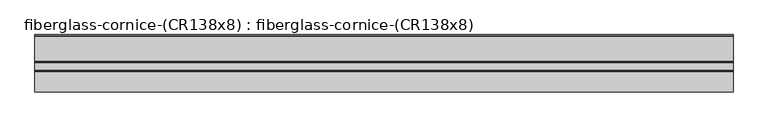
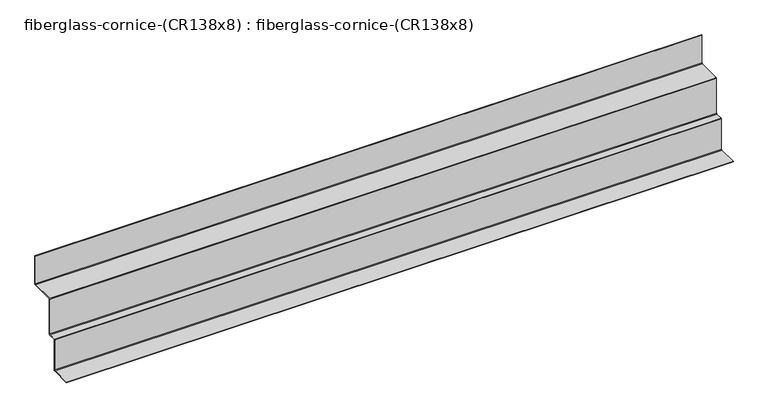
"""IFC4 building model written with IfcOpenShell, lengths in millimetres: furniture geometry, fiberglass-cornice-(CR138x8) : fiberglass-cornice-(CR138x8)."""

from ifc_helpers import new_model, si_unit, point, frame, frame_2d, origin, place, context, project, spatial, polyline, circle_curve, trimmed, segment, composite_curve, outline, extrude, source, transform, mapped, element, save


def fiberglass_cornice_cr138x8_fiberglass_cornice_cr138x8_f94439f8(model_context):
    return source(origin(), model_context, "Body", "SweptSolid", [
        extrude(outline(composite_curve([segment(polyline([(431.7999867, 330.1999904), (431.7999867, 149.2249705)]), True, "CONTINUOUS"), segment(trimmed(circle_curve(frame_2d((428.6249963, 149.2249705)), 3.1749904), [point((431.7999867, 149.2249705))], [point((428.6249963, 146.0499801))], False, "CARTESIAN"), True, "CONTINUOUS"), segment(polyline([(428.6249963, 146.0499801), (282.5750199, 146.0499801)]), True, "CONTINUOUS"), segment(trimmed(circle_curve(frame_2d((282.5750199, 142.8749599)), 3.1750202), [point((282.5750199, 146.0499801))], [point((279.3999997, 142.8749599))], True, "CARTESIAN"), True, "CONTINUOUS"), segment(polyline([(279.3999997, 142.8749599), (279.3999997, -79.37501)]), True, "CONTINUOUS"), segment(trimmed(circle_curve(frame_2d((276.2249795, -79.37501)), 3.1750202), [point((279.3999997, -79.37501))], [point((276.2249795, -82.5500302))], False, "CARTESIAN"), True, "CONTINUOUS"), segment(polyline([(276.2249795, -82.5500302), (231.7749945, -82.5500302)]), True, "CONTINUOUS"), segment(trimmed(circle_curve(frame_2d((231.7749945, -85.7250504)), 3.1750202), [point((231.7749945, -82.5500302))], [point((228.5999743, -85.7250504))], True, "CARTESIAN"), True, "CONTINUOUS"), segment(polyline([(228.5999743, -85.7250504), (228.5999743, -277.8125273)]), True, "CONTINUOUS"), segment(trimmed(circle_curve(frame_2d((225.4249743, -277.8125273)), 3.175), [point((228.5999743, -277.8125273))], [point((225.4249743, -280.9875272))], False, "CARTESIAN"), True, "CONTINUOUS"), segment(polyline([(225.4249743, -280.9875272), (101.6, -280.9875272), (101.6, -276.8600271), (220.6624833, -276.8600271)]), True, "CONTINUOUS"), segment(trimmed(circle_curve(frame_2d((220.6624833, -273.0500386)), 3.8099885), [point((220.6624833, -276.8600271))], [point((224.4724718, -273.0500386))], True, "CARTESIAN"), True, "CONTINUOUS"), segment(polyline([(224.4724718, -273.0500386), (224.4724718, -80.9625797)]), True, "CONTINUOUS"), segment(trimmed(circle_curve(frame_2d((227.0125237, -80.9625797)), 2.5400519), [point((224.4724718, -80.9625797))], [point((227.0125237, -78.4225278))], False, "CARTESIAN"), True, "CONTINUOUS"), segment(polyline([(227.0125237, -78.4225278), (271.4624939, -78.4225278)]), True, "CONTINUOUS"), segment(trimmed(circle_curve(frame_2d((271.4624939, -74.6125244)), 3.8100034), [point((271.4624939, -78.4225278))], [point((275.2724973, -74.6125244))], True, "CARTESIAN"), True, "CONTINUOUS"), segment(polyline([(275.2724973, -74.6125244), (275.2724973, 147.6374902)]), True, "CONTINUOUS"), segment(trimmed(circle_curve(frame_2d((277.8124896, 147.6374902)), 2.5399923), [point((275.2724973, 147.6374902))], [point((277.8124896, 150.1774825))], False, "CARTESIAN"), True, "CONTINUOUS"), segment(polyline([(277.8124896, 150.1774825), (423.8624958, 150.1774825)]), True, "CONTINUOUS"), segment(trimmed(circle_curve(frame_2d((423.8624958, 153.987471)), 3.8099885), [point((423.8624958, 150.1774825))], [point((427.6724843, 153.987471))], True, "CARTESIAN"), True, "CONTINUOUS"), segment(polyline([(427.6724843, 153.987471), (427.6724843, 330.1999904), (431.7999867, 330.1999904)]), True, "CONTINUOUS")], self_intersect=False)), frame((-2012.9498044, 0.0, 0.0), z_axis=(1.0, 0.0, 0.0), x_axis=(0.0, 1.0, 0.0)), (0.0, 0.0, 1.0), 4025.8996087),
    ])


if __name__ == "__main__":
    model = new_model("IFC4")
    model_context = context("Model", 3, world=origin())
    ifc_project = project(units=[si_unit("LENGTHUNIT", "METRE", prefix="MILLI")], contexts=[model_context])
    site = spatial("IfcSite", under=ifc_project)
    building = spatial("IfcBuilding", under=site)
    placement = place(None, origin())
    fiberglass_cornice_cr138x8_fiberglass_cornice_cr138x8_shape = fiberglass_cornice_cr138x8_fiberglass_cornice_cr138x8_f94439f8(model_context)
    element("IfcFurniture", 1, ObjectType="fiberglass-cornice-(CR138x8) : fiberglass-cornice-(CR138x8)", at=placement, inside=building, context=model_context, shape_type="MappedRepresentation", body=[
        mapped(fiberglass_cornice_cr138x8_fiberglass_cornice_cr138x8_shape, transform((0.0, 0.0, 0.0), x_axis=(1.0, 0.0, 0.0), y_axis=(0.0, 1.0, 0.0), z_axis=(0.0, 0.0, 1.0))),
    ])
    save(model, "model.ifc")
